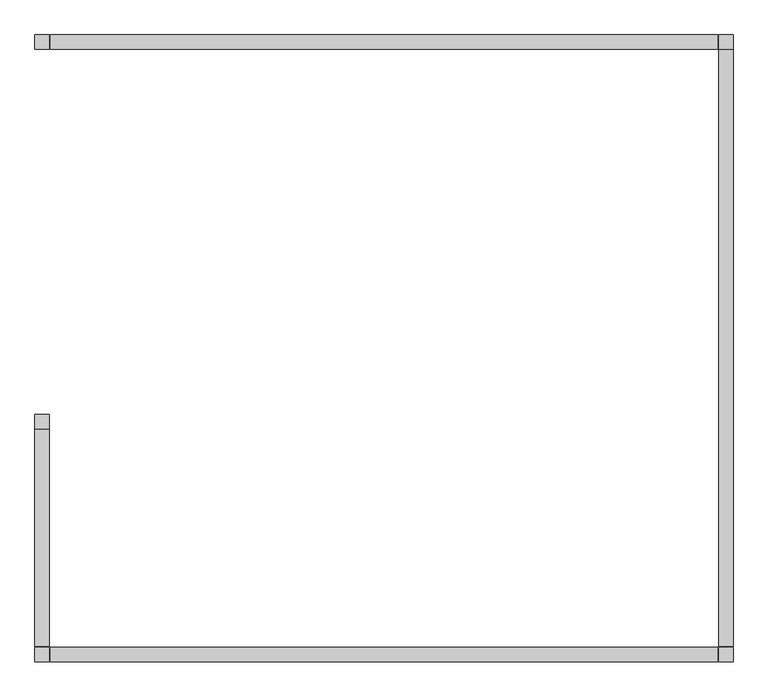
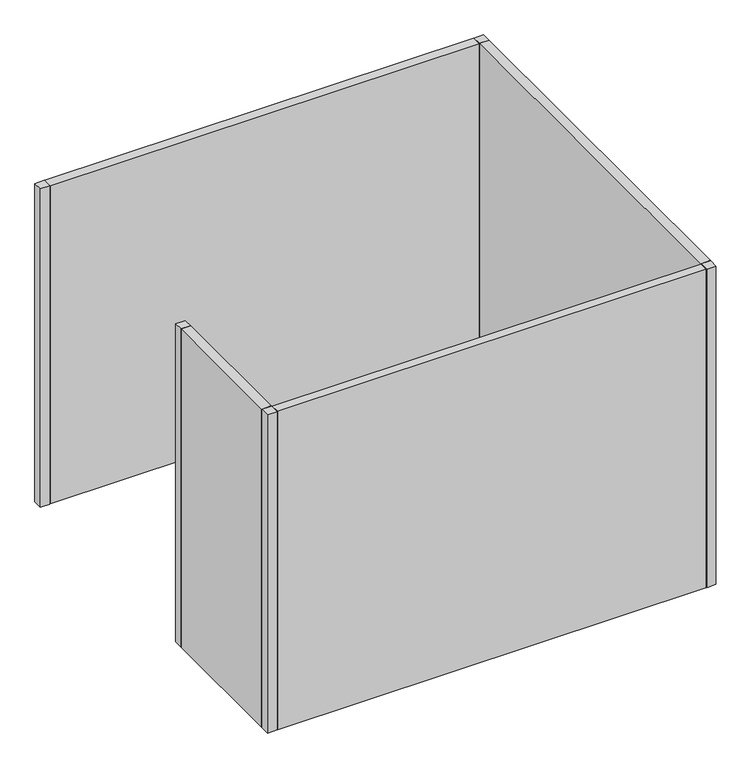
"""IFC4 building model written with IfcOpenShell, lengths in millimetres: furniture geometry."""

from ifc_helpers import new_model, si_unit, origin, origin_with_axes, place, context, project, spatial, polyline, outline, extrude, source, transform, mapped, element, save


def furniture_36296078(model_context):
    return source(origin(), model_context, "Body", "SweptSolid", [
        extrude(outline(polyline([(-2438.4, 863.6), (-2387.6, 863.6), (-2387.6, 812.8), (-2438.4, 812.8), (-2438.4, 863.6)])), origin_with_axes(), (0.0, 0.0, 1.0), 1828.8),
        extrude(outline(polyline([(-2438.4, 2190.75), (-2387.6, 2190.75), (-2387.6, 2139.95), (-2438.4, 2139.95), (-2438.4, 2190.75)])), origin_with_axes(), (0.0, 0.0, 1.0), 1828.8),
        extrude(outline(polyline([(-2438.4, 50.8), (-2387.6, 50.8), (-2387.6, 0.0), (-2438.4, 0.0), (-2438.4, 50.8)])), origin_with_axes(), (0.0, 0.0, 1.0), 1828.8),
        extrude(outline(polyline([(-50.8, 50.8), (0.0, 50.8), (0.0, 0.0), (-50.8, 0.0), (-50.8, 50.8)])), origin_with_axes(), (0.0, 0.0, 1.0), 1828.8),
        extrude(outline(polyline([(-50.8, 2190.75), (0.0, 2190.75), (0.0, 2139.95), (-50.8, 2139.95), (-50.8, 2190.75)])), origin_with_axes(), (0.0, 0.0, 1.0), 1828.8),
        extrude(outline(polyline([(-2384.425, 2190.75), (-53.975, 2190.75), (-53.975, 2139.95), (-2384.425, 2139.95), (-2384.425, 2190.75)])), origin_with_axes(), (0.0, 0.0, 1.0), 1828.8),
        extrude(outline(polyline([(-2384.425, 0.0), (-2384.425, 50.8), (-53.975, 50.8), (-53.975, 0.0), (-2384.425, 0.0)])), origin_with_axes(), (0.0, 0.0, 1.0), 1828.8),
        extrude(outline(polyline([(0.0, 53.975), (-50.8, 53.975), (-50.8, 2139.95), (0.0, 2139.95), (0.0, 53.975)])), origin_with_axes(), (0.0, 0.0, 1.0), 1828.8),
        extrude(outline(polyline([(-2438.4, 53.975), (-2438.4, 812.8), (-2387.6, 812.8), (-2387.6, 53.975), (-2438.4, 53.975)])), origin_with_axes(), (0.0, 0.0, 1.0), 1828.8),
    ])


if __name__ == "__main__":
    model = new_model("IFC4")
    model_context = context("Model", 3, world=origin())
    ifc_project = project(units=[si_unit("LENGTHUNIT", "METRE", prefix="MILLI")], contexts=[model_context])
    site = spatial("IfcSite", under=ifc_project)
    building = spatial("IfcBuilding", under=site)
    placement = place(None, origin())
    furniture_shape = furniture_36296078(model_context)
    element("IfcFurniture", 1, at=placement, inside=building, context=model_context, shape_type="MappedRepresentation", body=[
        mapped(furniture_shape, transform((0.0, 0.0, 0.0), x_axis=(1.0, 0.0, 0.0), y_axis=(0.0, 1.0, 0.0), z_axis=(0.0, 0.0, 1.0))),
    ])
    save(model, "model.ifc")
